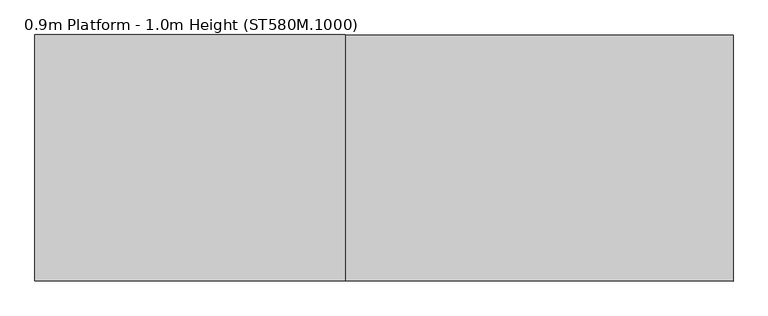
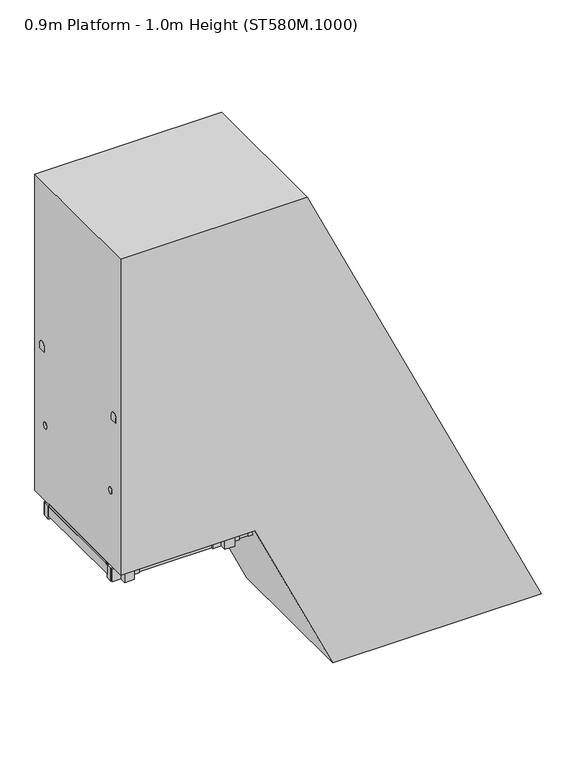
"""IFC4 building model written with IfcOpenShell, lengths in millimetres: proxy geometry, 0.9m Platform - 1.0m Height (ST580M.1000)."""

from ifc_helpers import new_model, si_unit, point, frame, frame_2d, origin, origin_with_axes, place, context, project, spatial, polyline, circle_curve, ellipse_curve, trimmed, segment, composite_curve, outline, extrude, source, transform, mapped, element, save
from ifc_brep_helpers import plane_surface, cylinder_surface, advanced_brep


def proxy_0_9m_platform_1_0m_height_st580m_1000_574e2e98(model_context):
    return source(origin(), model_context, "Body", "SolidModel", [
        extrude(outline(polyline([(750.0, -287.4172036), (670.0, -250.112596), (670.0, -139.7747989), (750.0, -177.0794115), (750.0, -287.4172036)])), frame((0.0, 298.5, 0.0), z_axis=(0.0, 1.0, 0.0), x_axis=(0.0, 0.0, 1.0)), (0.0, 0.0, 1.0), 6.0),
        extrude(outline(polyline([(750.0, -287.4172036), (670.0, -250.112596), (670.0, -139.7747989), (750.0, -177.0794115), (750.0, -287.4172036)])), frame((0.0, -304.5, 0.0), z_axis=(0.0, 1.0, 0.0), x_axis=(0.0, 0.0, 1.0)), (0.0, 0.0, 1.0), 6.0),
        extrude(outline(polyline([(750.0, -280.2452473), (712.0999991, -262.572189), (712.0999991, -260.3654332), (747.0, -276.6395687), (747.0, -177.8872444), (712.0999991, -161.6131067), (712.0999991, -159.4063509), (750.0, -177.0794115), (750.0, -197.5071527), (749.2749538, -197.8452473), (750.0, -198.1833418), (750.0, -218.1071527), (749.2749538, -218.4452473), (750.0, -218.7833418), (750.0, -238.7071527), (749.2749538, -239.0452473), (750.0, -239.3833418), (750.0, -259.3071527), (749.2749538, -259.6452473), (750.0, -259.9833418), (750.0, -280.2452473)])), frame((0.0, -298.5, 0.0), z_axis=(0.0, 1.0, 0.0), x_axis=(0.0, 0.0, 1.0)), (0.0, 0.0, 1.0), 597.0),
        extrude(outline(polyline([(500.0, -170.829619), (420.0, -133.5250114), (420.0, -23.1872143), (500.0, -60.4918269), (500.0, -170.829619)])), frame((0.0, 298.5, 0.0), z_axis=(0.0, 1.0, 0.0), x_axis=(0.0, 0.0, 1.0)), (0.0, 0.0, 1.0), 6.0),
        extrude(outline(polyline([(500.0, -170.829619), (420.0, -133.5250114), (420.0, -23.1872143), (500.0, -60.4918269), (500.0, -170.829619)])), frame((0.0, -304.5, 0.0), z_axis=(0.0, 1.0, 0.0), x_axis=(0.0, 0.0, 1.0)), (0.0, 0.0, 1.0), 6.0),
        extrude(outline(polyline([(500.0, -163.6576627), (462.0999991, -145.9846044), (462.0999991, -143.7778486), (497.0, -160.0519841), (497.0, -61.2996598), (462.0999991, -45.0255221), (462.0999991, -42.8187663), (500.0, -60.4918269), (500.0, -80.9195681), (499.2749538, -81.2576627), (500.0, -81.5957572), (500.0, -101.5195681), (499.2749538, -101.8576627), (500.0, -102.1957572), (500.0, -122.1195681), (499.2749538, -122.4576627), (500.0, -122.7957572), (500.0, -142.7195681), (499.2749538, -143.0576627), (500.0, -143.3957572), (500.0, -163.6576627)])), frame((0.0, -298.5, 0.0), z_axis=(0.0, 1.0, 0.0), x_axis=(0.0, 0.0, 1.0)), (0.0, 0.0, 1.0), 597.0),
        extrude(outline(polyline([(-0.0541093, 0.0), (0.7582532, 5.9447512), (185.4590014, 5.9447512), (254.8144324, -3.5328109), (254.0020699, -9.4775622), (184.6466389, 0.0), (-0.0541093, 0.0)])), frame((66.0292478, 375.0, 646.1685606), z_axis=(-0.42264223468984075, 0.0, 0.9062966078808735), x_axis=(-0.8979513127537769, -0.13539374535780632, -0.4187504909152398)), (0.0, 0.0, 1.0), 80.0),
        extrude(outline(polyline([(-0.0541093, 0.0), (0.7582532, 5.9447512), (185.4590012, 5.9447512), (254.8144324, -3.5328109), (254.0020699, -9.4775622), (184.6466388, 0.0), (-0.0541093, 0.0)])), frame((-31.1784662, 375.0, 854.6167804), z_axis=(-0.42264223468984075, 0.0, 0.9062966078808735), x_axis=(-0.8979513127537769, -0.13539374535780632, -0.4187504909152398)), (0.0, 0.0, 1.0), 80.0),
        extrude(outline(polyline([(0.0, 32.0), (3.0000001, 32.0), (3.0000001, 0.0), (0.0, 0.0), (0.0, 32.0)])), frame((81.4759922, 388.0, 620.2702474), z_axis=(-0.4226422346898407, 0.0, 0.9062966078808734), x_axis=(-0.9062966078808734, 0.0, -0.4226422346898407)), (0.0, 0.0, 1.0), 140.0),
        extrude(outline(polyline([(0.0, 32.0), (3.0, 32.0), (3.0, 0.0), (0.0, 0.0), (0.0, 32.0)])), frame((-15.7317218, 388.0, 828.7184672), z_axis=(-0.4226422346898407, 0.0, 0.9062966078808734), x_axis=(-0.9062966078808734, 0.0, -0.4226422346898407)), (0.0, 0.0, 1.0), 140.0),
        extrude(outline(composite_curve([segment(trimmed(circle_curve(frame_2d((0.0, 14.189404)), 22.4521533), [point((-17.4, 0.0))], [point((17.4, 0.0))], False, "CARTESIAN"), True, "CONTINUOUS"), segment(polyline([(17.4, 0.0), (-17.4, 0.0)]), True, "CONTINUOUS")], self_intersect=False)), frame((153.3251721, 372.0, 466.199824), z_axis=(-0.4226422346898407, 0.0, 0.9062966078808734), x_axis=(0.0, -1.0, 0.0)), (0.0, 0.0, 1.0), 1560.0),
        extrude(outline(polyline([(-0.0541092, 0.0), (184.6466388, 0.0), (254.0020699, 9.4775622), (254.8144324, 3.5328109), (185.4590013, -5.9447512), (0.7582532, -5.9447512), (-0.0541092, 0.0)])), frame((66.0264863, -375.0, 646.1744828), z_axis=(-0.42264223468984075, 0.0, 0.9062966078808735), x_axis=(-0.8979513127537769, 0.13539374535780632, -0.4187504909152398)), (0.0, 0.0, 1.0), 80.0),
        extrude(outline(polyline([(-0.0541093, 0.0), (184.6466388, 0.0), (254.0020699, 9.4775622), (254.8144324, 3.5328109), (185.4590013, -5.9447512), (0.7582532, -5.9447512), (-0.0541093, 0.0)])), frame((-31.1812277, -375.0, 854.6227026), z_axis=(-0.42264223468984075, 0.0, 0.9062966078808735), x_axis=(-0.8979513127537769, 0.13539374535780632, -0.4187504909152398)), (0.0, 0.0, 1.0), 80.0),
        extrude(outline(polyline([(0.0, -32.0), (0.0, 0.0), (3.0, 0.0), (3.0, -32.0), (0.0, -32.0)])), frame((81.4732307, -388.0, 620.2761695), z_axis=(-0.4226422346898407, 0.0, 0.9062966078808734), x_axis=(-0.9062966078808734, 0.0, -0.4226422346898407)), (0.0, 0.0, 1.0), 140.0),
        extrude(outline(polyline([(0.0, -32.0), (0.0, 0.0), (3.0, 0.0), (3.0, -32.0), (0.0, -32.0)])), frame((-15.7344833, -388.0, 828.7243893), z_axis=(-0.4226422346898407, 0.0, 0.9062966078808734), x_axis=(-0.9062966078808734, 0.0, -0.4226422346898407)), (0.0, 0.0, 1.0), 140.0),
        extrude(outline(composite_curve([segment(polyline([(-17.4, 0.0), (17.4, 0.0)]), True, "CONTINUOUS"), segment(trimmed(circle_curve(frame_2d((0.0, -14.189404)), 22.4521533), [point((17.4, 0.0))], [point((-17.4, 0.0))], False, "CARTESIAN"), True, "CONTINUOUS")], self_intersect=False)), frame((153.3224106, -372.0, 466.2057462), z_axis=(-0.4226422346898407, 0.0, 0.9062966078808734), x_axis=(0.0, 1.0, 0.0)), (0.0, 0.0, 1.0), 1560.0),
        extrude(outline(polyline([(1000.0, -404.0047882), (920.0, -366.7001806), (920.0, -256.3623835), (1000.0, -293.6669962), (1000.0, -404.0047882)])), frame((0.0, 298.5, 0.0), z_axis=(0.0, 1.0, 0.0), x_axis=(0.0, 0.0, 1.0)), (0.0, 0.0, 1.0), 6.0),
        extrude(outline(polyline([(1000.0, -404.0047882), (920.0, -366.7001806), (920.0, -256.3623835), (1000.0, -293.6669962), (1000.0, -404.0047882)])), frame((0.0, -304.5, 0.0), z_axis=(0.0, 1.0, 0.0), x_axis=(0.0, 0.0, 1.0)), (0.0, 0.0, 1.0), 6.0),
        extrude(outline(polyline([(1000.0, -396.8328319), (962.0999991, -379.1597736), (962.0999991, -376.9530179), (997.0, -393.2271533), (997.0, -294.474829), (962.0999991, -278.2006914), (962.0999991, -275.9939355), (1000.0, -293.6669962), (1000.0, -314.0947373), (999.2749538, -314.4328319), (1000.0, -314.7709265), (1000.0, -334.6947373), (999.2749538, -335.0328319), (1000.0, -335.3709265), (1000.0, -355.2947373), (999.2749538, -355.6328319), (1000.0, -355.9709265), (1000.0, -375.8947373), (999.2749538, -376.2328319), (1000.0, -376.5709265), (1000.0, -396.8328319)])), frame((0.0, -298.5, 0.0), z_axis=(0.0, 1.0, 0.0), x_axis=(0.0, 0.0, 1.0)), (0.0, 0.0, 1.0), 597.0),
        extrude(outline(polyline([(250.0, -54.2420343), (170.0, -16.9374267), (170.0, 93.4003703), (250.0, 56.0957577), (250.0, -54.2420343)])), frame((0.0, 298.5, 0.0), z_axis=(0.0, 1.0, 0.0), x_axis=(0.0, 0.0, 1.0)), (0.0, 0.0, 1.0), 6.0),
        extrude(outline(polyline([(250.0, -54.2420343), (170.0, -16.9374267), (170.0, 93.4003703), (250.0, 56.0957577), (250.0, -54.2420343)])), frame((0.0, -304.5, 0.0), z_axis=(0.0, 1.0, 0.0), x_axis=(0.0, 0.0, 1.0)), (0.0, 0.0, 1.0), 6.0),
        extrude(outline(polyline([(250.0, -47.070078), (212.0999991, -29.3970198), (212.0999991, -27.190264), (247.0, -43.4643995), (247.0, 55.2879248), (212.0999991, 71.5620625), (212.0999991, 73.7688183), (250.0, 56.0957577), (250.0, 35.6680165), (249.2749538, 35.329922), (250.0, 34.9918274), (250.0, 15.0680165), (249.2749538, 14.729922), (250.0, 14.3918274), (250.0, -5.5319835), (249.2749538, -5.870078), (250.0, -6.2081726), (250.0, -26.1319835), (249.2749538, -26.470078), (250.0, -26.8081726), (250.0, -47.070078)])), frame((0.0, -298.5, 0.0), z_axis=(0.0, 1.0, 0.0), x_axis=(0.0, 0.0, 1.0)), (0.0, 0.0, 1.0), 597.0),
        extrude(outline(polyline([(-396.8328319, -304.5), (-434.8328319, -304.5), (-434.8328319, 304.5), (-396.8328319, 304.5), (-396.8328319, -304.5)])), frame((0.0, 0.0, 901.0), z_axis=(0.0, 0.0, 1.0), x_axis=(1.0, 0.0, 0.0)), (0.0, 0.0, 1.0), 80.0),
        extrude(outline(polyline([(-1256.8328319, -304.5), (-1294.8328319, -304.5), (-1294.8328319, 304.5), (-1256.8328319, 304.5), (-1256.8328319, -304.5)])), frame((0.0, 0.0, 923.0), z_axis=(0.0, 0.0, 1.0), x_axis=(1.0, 0.0, 0.0)), (0.0, 0.0, 1.0), 58.0),
        extrude(outline(polyline([(-826.8328319, -304.5), (-864.8328319, -304.5), (-864.8328319, 304.5), (-826.8328319, 304.5), (-826.8328319, -304.5)])), frame((0.0, 0.0, 923.0), z_axis=(0.0, 0.0, 1.0), x_axis=(1.0, 0.0, 0.0)), (0.0, 0.0, 1.0), 58.0),
        extrude(outline(composite_curve([segment(polyline([(353.0, 1478.0), (353.0, 1468.0)]), True, "CONTINUOUS"), segment(trimmed(circle_curve(frame_2d((338.0, 1468.0)), 15.0), [point((353.0, 1468.0))], [point((323.0, 1468.0))], False, "CARTESIAN"), True, "CONTINUOUS"), segment(polyline([(323.0, 1468.0), (323.0, 1478.0)]), True, "CONTINUOUS"), segment(trimmed(circle_curve(frame_2d((338.0, 1478.0)), 15.0), [point((323.0, 1478.0))], [point((353.0, 1478.0))], False, "CARTESIAN"), True, "CONTINUOUS")], self_intersect=False)), frame((-1296.8328319, 0.0, 0.0), z_axis=(1.0, 0.0, 0.0), x_axis=(0.0, 1.0, 0.0)), (0.0, 0.0, 1.0), 885.0),
        extrude(outline(composite_curve([segment(trimmed(circle_curve(frame_2d((-338.0, 1478.0)), 15.0), [point((-353.0, 1478.0))], [point((-323.0, 1478.0))], False, "CARTESIAN"), True, "CONTINUOUS"), segment(polyline([(-323.0, 1478.0), (-323.0, 1468.0)]), True, "CONTINUOUS"), segment(trimmed(circle_curve(frame_2d((-338.0, 1468.0)), 15.0), [point((-323.0, 1468.0))], [point((-353.0, 1468.0))], False, "CARTESIAN"), True, "CONTINUOUS"), segment(polyline([(-353.0, 1468.0), (-353.0, 1478.0)]), True, "CONTINUOUS")], self_intersect=False)), frame((-1296.8328319, 0.0, 0.0), z_axis=(1.0, 0.0, 0.0), x_axis=(0.0, 1.0, 0.0)), (0.0, 0.0, 1.0), 885.0),
        extrude(outline(polyline([(-692.8328319, 353.0), (-532.8328319, 353.0), (-532.8328319, 343.0), (-692.8328319, 343.0), (-692.8328319, 353.0)])), frame((0.0, 0.0, 901.0), z_axis=(0.0, 0.0, 1.0), x_axis=(1.0, 0.0, 0.0)), (0.0, 0.0, 1.0), 80.0),
        extrude(outline(polyline([(-692.8328319, -343.0), (-532.8328319, -343.0), (-532.8328319, -353.0), (-692.8328319, -353.0), (-692.8328319, -343.0)])), frame((0.0, 0.0, 901.0), z_axis=(0.0, 0.0, 1.0), x_axis=(1.0, 0.0, 0.0)), (0.0, 0.0, 1.0), 80.0),
        extrude(outline(polyline([(-583.8328319, 391.0), (-583.8328319, 353.0), (-641.8328319, 353.0), (-641.8328319, 391.0), (-583.8328319, 391.0)])), frame((0.0, 0.0, 901.0), z_axis=(0.0, 0.0, 1.0), x_axis=(1.0, 0.0, 0.0)), (0.0, 0.0, 1.0), 1029.0),
        extrude(outline(polyline([(-583.8328319, -353.0), (-583.8328319, -391.0), (-641.8328319, -391.0), (-641.8328319, -353.0), (-583.8328319, -353.0)])), frame((0.0, 0.0, 901.0), z_axis=(0.0, 0.0, 1.0), x_axis=(1.0, 0.0, 0.0)), (0.0, 0.0, 1.0), 1029.0),
        advanced_brep(
        [(-556.8328319, 372.0, 1942.0), (-556.8328319, 372.0, 1987.0), (-544.1016939, 372.0, 1942.0), (-515.4337404, 372.0, 1987.0), (-513.5569732, 372.0, 1876.4977609), (-472.773248, 372.0, 1895.5158512)],
        [
            (0, 1, circle_curve(frame((-556.8328319, 372.0, 1964.5), z_axis=(-1.0, 0.0, 0.0), x_axis=(0.0, 0.0, 1.0)), 22.5)),
            (1, 0, circle_curve(frame((-556.8328319, 372.0, 1964.5), z_axis=(-1.0, 0.0, 0.0), x_axis=(0.0, 0.0, 1.0)), 22.5)),
            (0, 2),
            (2, 3, ellipse_curve(frame((-529.7677171, 372.0, 1964.5), z_axis=(-0.8433932143581883, 0.0, 0.5372968322766877), x_axis=(-0.5372968322766877, 0.0, -0.8433932143581881)), 26.6779476, 22.5)),
            (3, 1),
            (3, 2, ellipse_curve(frame((-529.7677171, 372.0, 1964.5), z_axis=(-0.8433932143581883, 0.0, 0.5372968322766877), x_axis=(-0.5372968322766877, 0.0, -0.8433932143581881)), 26.6779476, 22.5)),
            (4, 5, circle_curve(frame((-493.1651106, 372.0, 1886.0068061), z_axis=(0.42262422805087385, 0.0, -0.906305004876616), x_axis=(0.906305004876616, 0.0, 0.42262422805087385)), 22.5)),
            (5, 4, circle_curve(frame((-493.1651106, 372.0, 1886.0068061), z_axis=(0.42262422805087385, 0.0, -0.906305004876616), x_axis=(0.906305004876616, 0.0, 0.42262422805087385)), 22.5)),
            (2, 4),
            (5, 3),
        ],
        [
            plane_surface(frame((-556.8328319, 0.0, 1987.0), z_axis=(-1.0, 0.0, 0.0), x_axis=(0.0, -1.0, 0.0))),
            cylinder_surface(frame((-556.8328319, 372.0, 1964.5), z_axis=(-1.0, 0.0, 0.0), x_axis=(0.0, 0.0, 1.0)), 22.5),
            plane_surface(frame((-472.773248, 0.0, 1895.5158512), z_axis=(0.42262422805087385, 0.0, -0.906305004876616), x_axis=(0.0, -1.0, 0.0))),
            cylinder_surface(frame((-535.825603, 372.0, 1977.4909549), z_axis=(-0.42262422805087385, 0.0, 0.906305004876616), x_axis=(0.906305004876616, 0.0, 0.42262422805087385)), 22.5),
        ],
        [
            (0, [[1, 2]]),
            (1, [[-1, 3, 4, 5]]),
            (1, [[-2, -5, 6, -3]]),
            (2, [[7, 8]]),
            (3, [[-4, 9, -8, 10]]),
            (3, [[-6, -10, -7, -9]]),
        ],
    ),
        advanced_brep(
        [(-556.8328319, -372.0, 1942.0), (-556.8328319, -372.0, 1987.0), (-544.1016939, -372.0, 1942.0), (-515.4337404, -372.0, 1987.0), (-513.5569732, -372.0, 1876.4977609), (-472.773248, -372.0, 1895.5158512)],
        [
            (0, 1, circle_curve(frame((-556.8328319, -372.0, 1964.5), z_axis=(-1.0, 0.0, 0.0), x_axis=(0.0, 0.0, 1.0)), 22.5)),
            (1, 0, circle_curve(frame((-556.8328319, -372.0, 1964.5), z_axis=(-1.0, 0.0, 0.0), x_axis=(0.0, 0.0, 1.0)), 22.5)),
            (0, 2),
            (2, 3, ellipse_curve(frame((-529.7677171, -372.0, 1964.5), z_axis=(-0.8433932143581883, 0.0, 0.5372968322766877), x_axis=(-0.5372968322766877, 0.0, -0.8433932143581881)), 26.6779476, 22.5)),
            (3, 1),
            (3, 2, ellipse_curve(frame((-529.7677171, -372.0, 1964.5), z_axis=(-0.8433932143581883, 0.0, 0.5372968322766877), x_axis=(-0.5372968322766877, 0.0, -0.8433932143581881)), 26.6779476, 22.5)),
            (4, 5, circle_curve(frame((-493.1651106, -372.0, 1886.0068061), z_axis=(0.42262422805087385, 0.0, -0.906305004876616), x_axis=(0.906305004876616, 0.0, 0.42262422805087385)), 22.5)),
            (5, 4, circle_curve(frame((-493.1651106, -372.0, 1886.0068061), z_axis=(0.42262422805087385, 0.0, -0.906305004876616), x_axis=(0.906305004876616, 0.0, 0.42262422805087385)), 22.5)),
            (2, 4),
            (5, 3),
        ],
        [
            plane_surface(frame((-556.8328319, 0.0, 1987.0), z_axis=(-1.0, 0.0, 0.0), x_axis=(0.0, -1.0, 0.0))),
            cylinder_surface(frame((-556.8328319, -372.0, 1964.5), z_axis=(-1.0, 0.0, 0.0), x_axis=(0.0, 0.0, 1.0)), 22.5),
            plane_surface(frame((-472.773248, 0.0, 1895.5158512), z_axis=(0.42262422805087385, 0.0, -0.906305004876616), x_axis=(0.0, -1.0, 0.0))),
            cylinder_surface(frame((-535.825603, -372.0, 1977.4909549), z_axis=(-0.42262422805087385, 0.0, 0.906305004876616), x_axis=(0.906305004876616, 0.0, 0.42262422805087385)), 22.5),
        ],
        [
            (0, [[1, 2]]),
            (1, [[-1, 3, 4, 5]]),
            (1, [[-2, -5, 6, -3]]),
            (2, [[7, 8]]),
            (3, [[-4, 9, -8, 10]]),
            (3, [[-6, -10, -7, -9]]),
        ],
    ),
        extrude(outline(polyline([(-1258.8328319, -304.5), (-1296.8328319, -304.5), (-1296.8328319, 304.5), (-1258.8328319, 304.5), (-1258.8328319, -304.5)])), frame((0.0, 0.0, 923.0), z_axis=(0.0, 0.0, 1.0), x_axis=(1.0, 0.0, 0.0)), (0.0, 0.0, 1.0), 58.0),
        extrude(outline(composite_curve([segment(polyline([(349.5, 1930.0), (349.5, 1964.5)]), True, "CONTINUOUS"), segment(trimmed(circle_curve(frame_2d((372.0, 1964.5)), 22.5), [point((349.5, 1964.5))], [point((394.5, 1964.5))], False, "CARTESIAN"), True, "CONTINUOUS"), segment(polyline([(394.5, 1964.5), (394.5, 1930.0), (349.5, 1930.0)]), True, "CONTINUOUS")], self_intersect=False)), frame((-1296.8328319, 0.0, 0.0), z_axis=(1.0, 0.0, 0.0), x_axis=(0.0, 1.0, 0.0)), (0.0, 0.0, 1.0), 740.0),
        extrude(outline(composite_curve([segment(polyline([(-349.5, 1930.0), (-394.5, 1930.0), (-394.5, 1964.5)]), True, "CONTINUOUS"), segment(trimmed(circle_curve(frame_2d((-372.0, 1964.5)), 22.5), [point((-394.5, 1964.5))], [point((-349.5, 1964.5))], False, "CARTESIAN"), True, "CONTINUOUS"), segment(polyline([(-349.5, 1964.5), (-349.5, 1930.0)]), True, "CONTINUOUS")], self_intersect=False)), frame((-1296.8328319, 0.0, 0.0), z_axis=(1.0, 0.0, 0.0), x_axis=(0.0, 1.0, 0.0)), (0.0, 0.0, 1.0), 740.0),
        extrude(outline(polyline([(-1132.8328319, 353.0), (-1132.8328319, 343.0), (-1292.8328319, 343.0), (-1292.8328319, 353.0), (-1132.8328319, 353.0)])), frame((0.0, 0.0, 901.0), z_axis=(0.0, 0.0, 1.0), x_axis=(1.0, 0.0, 0.0)), (0.0, 0.0, 1.0), 80.0),
        extrude(outline(polyline([(-1132.8328319, -343.0), (-1132.8328319, -353.0), (-1292.8328319, -353.0), (-1292.8328319, -343.0), (-1132.8328319, -343.0)])), frame((0.0, 0.0, 901.0), z_axis=(0.0, 0.0, 1.0), x_axis=(1.0, 0.0, 0.0)), (0.0, 0.0, 1.0), 80.0),
        extrude(outline(polyline([(-1183.8328319, 391.0), (-1183.8328319, 353.0), (-1241.8328319, 353.0), (-1241.8328319, 391.0), (-1183.8328319, 391.0)])), frame((0.0, 0.0, 901.0), z_axis=(0.0, 0.0, 1.0), x_axis=(1.0, 0.0, 0.0)), (0.0, 0.0, 1.0), 1029.0),
        extrude(outline(polyline([(-1183.8328319, -353.0), (-1183.8328319, -391.0), (-1241.8328319, -391.0), (-1241.8328319, -353.0), (-1183.8328319, -353.0)])), frame((0.0, 0.0, 901.0), z_axis=(0.0, 0.0, 1.0), x_axis=(1.0, 0.0, 0.0)), (0.0, 0.0, 1.0), 1029.0),
        extrude(outline(polyline([(-396.8328319, 343.0), (-396.8328319, 304.5), (-1296.8328319, 304.5), (-1296.8328319, 343.0), (-396.8328319, 343.0)])), frame((0.0, 0.0, 901.0), z_axis=(0.0, 0.0, 1.0), x_axis=(1.0, 0.0, 0.0)), (0.0, 0.0, 1.0), 80.0),
        extrude(outline(polyline([(-396.8328319, -304.5), (-396.8328319, -343.0), (-1296.8328319, -343.0), (-1296.8328319, -304.5), (-396.8328319, -304.5)])), frame((0.0, 0.0, 901.0), z_axis=(0.0, 0.0, 1.0), x_axis=(1.0, 0.0, 0.0)), (0.0, 0.0, 1.0), 80.0),
        extrude(outline(polyline([(-399.8328319, 297.5), (-399.8328319, -297.5), (-1293.8328319, -297.5), (-1293.8328319, 297.5), (-399.8328319, 297.5)])), frame((0.0, 0.0, 984.0), z_axis=(0.0, 0.0, 1.0), x_axis=(1.0, 0.0, 0.0)), (0.0, 0.0, 1.0), 13.0),
        extrude(outline(polyline([(1000.0, -414.8328319), (997.0, -414.8328319), (997.0, -399.8328319), (984.0, -399.8328319), (984.0, -414.8328319), (981.0, -414.8328319), (981.0, -396.8328319), (1000.0, -396.8328319), (1000.0, -414.8328319)])), frame((0.0, -297.5, 0.0), z_axis=(0.0, 1.0, 0.0), x_axis=(0.0, 0.0, 1.0)), (0.0, 0.0, 1.0), 595.0),
        extrude(outline(polyline([(1000.0, -1278.8328319), (1000.0, -1296.8328319), (981.0, -1296.8328319), (981.0, -1278.8328319), (984.0, -1278.8328319), (984.0, -1293.8328319), (997.0, -1293.8328319), (997.0, -1278.8328319), (1000.0, -1278.8328319)])), frame((0.0, -297.5, 0.0), z_axis=(0.0, 1.0, 0.0), x_axis=(0.0, 0.0, 1.0)), (0.0, 0.0, 1.0), 595.0),
        extrude(outline(polyline([(981.0, -287.140843), (981.0, -476.8328319), (901.0, -476.8328319), (901.0, -249.8362303), (981.0, -287.140843)])), frame((0.0, 344.0, 0.0), z_axis=(0.0, 1.0, 0.0), x_axis=(0.0, 0.0, 1.0)), (0.0, 0.0, 1.0), 6.0),
        extrude(outline(polyline([(981.0, -284.7751404), (981.0, -476.8328319), (901.0, -476.8328319), (901.0, -247.4705278), (981.0, -284.7751404)])), frame((0.0, -350.0, 0.0), z_axis=(0.0, 1.0, 0.0), x_axis=(0.0, 0.0, 1.0)), (0.0, 0.0, 1.0), 6.0),
        extrude(outline(polyline([(-304.5, 79.9999999), (-304.5, 0.0), (-343.0, 0.0), (-343.0, 79.9999999), (-304.5, 79.9999999)])), frame((81.6045928, 0.0, 6.0), z_axis=(-0.42261826174069766, 0.0, 0.9063077870366508), x_axis=(0.0, -1.0, 0.0)), (0.0, 0.0, 1.0), 1096.7576514),
        extrude(outline(polyline([(343.0, 79.9999999), (343.0, 0.0), (304.5, 0.0), (304.5, 79.9999999), (343.0, 79.9999999)])), frame((81.6045928, 0.0, 6.0), z_axis=(-0.42261826174069766, 0.0, 0.9063077870366508), x_axis=(0.0, -1.0, 0.0)), (0.0, 0.0, 1.0), 1096.7576514),
        extrude(outline(polyline([(141.9461681, 106.482087), (108.1367071, 33.977464), (6.0, 81.6045928), (6.0, 169.8748263), (141.9461681, 106.482087)])), frame((0.0, 344.0, 0.0), z_axis=(0.0, 1.0, 0.0), x_axis=(0.0, 0.0, 1.0)), (0.0, 0.0, 1.0), 6.0),
        extrude(outline(polyline([(141.9461681, 106.482087), (108.1367071, 33.977464), (6.0, 81.6045928), (6.0, 169.8748263), (141.9461681, 106.482087)])), frame((0.0, -350.0, 0.0), z_axis=(0.0, 1.0, 0.0), x_axis=(0.0, 0.0, 1.0)), (0.0, 0.0, 1.0), 6.0),
        extrude(outline(polyline([(175.7748263, 358.0), (175.7748263, -358.0), (75.7748263, -358.0), (75.7748263, 358.0), (175.7748263, 358.0)])), origin_with_axes(), (0.0, 0.0, 1.0), 6.0),
        extrude(outline(polyline([(1000.0, -493.666699), (0.0, -27.3268374), (0.0, 1220.8959069), (3000.0, -178.1236779), (3000.0, -1296.8328319), (1000.0, -1296.8328319), (1000.0, -493.666699)])), frame((0.0, -444.5, 0.0), z_axis=(0.0, 1.0, 0.0), x_axis=(0.0, 0.0, 1.0)), (0.0, 0.0, 1.0), 889.0),
    ])


if __name__ == "__main__":
    model = new_model("IFC4")
    model_context = context("Model", 3, world=origin())
    ifc_project = project(units=[si_unit("LENGTHUNIT", "METRE", prefix="MILLI")], contexts=[model_context])
    site = spatial("IfcSite", under=ifc_project)
    building = spatial("IfcBuilding", under=site)
    placement = place(None, origin())
    proxy_0_9m_platform_1_0m_height_st580m_1000_shape = proxy_0_9m_platform_1_0m_height_st580m_1000_574e2e98(model_context)
    element("IfcBuildingElementProxy", 1, Name="0.9m Platform - 1.0m Height (ST580M.1000)", ObjectType="0.9m Platform - 1.0m Height (ST580M.1000)", at=placement, inside=building, context=model_context, shape_type="MappedRepresentation", body=[
        mapped(proxy_0_9m_platform_1_0m_height_st580m_1000_shape, transform((0.0, 0.0, 0.0), x_axis=(1.0, 0.0, 0.0), y_axis=(0.0, 1.0, 0.0), z_axis=(0.0, 0.0, 1.0))),
    ])
    save(model, "model.ifc")
